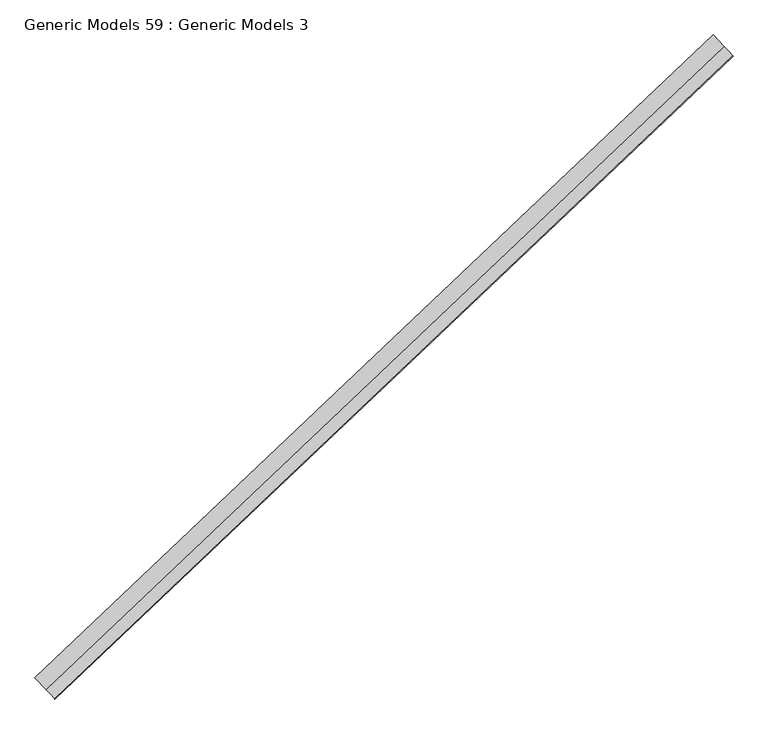
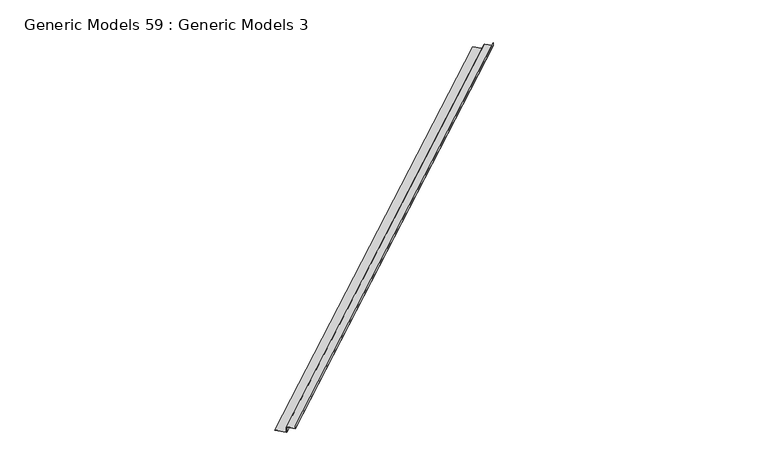
"""IFC4 building model written with IfcOpenShell, lengths in millimetres: proxy geometry, Generic Models 59 : Generic Models 3."""

from ifc_helpers import new_model, si_unit, origin, place, context, project, spatial, faceted_brep, source, transform, mapped, element, save


def generic_models_59_generic_models_3_b7b17800(model_context):
    return source(origin(), model_context, "Body", "Brep", [
        faceted_brep([(109895.2439475, 47364.6970795, 18098.5781124), (109895.2439475, 47364.6970795, 18018.91875), (109781.9317656, 47484.1032048, 18018.91875), (109781.9317656, 47484.1032048, 18020.50625), (109894.1511846, 47365.8486113, 18020.50625), (109894.1511846, 47365.8486113, 18100.1656124), (109899.0065242, 47360.7321509, 18100.1656124), (109932.0629993, 47325.8978945, 18100.1656124), (109978.6901522, 47276.7631275, 18100.1656124), (109978.6901522, 47276.7631275, 18146.4683107), (109979.7829151, 47275.6115957, 18146.4683107), (109979.7829151, 47275.6115957, 18098.5781124), (109932.7580686, 47325.1654442, 18098.5781124), (109898.3114549, 47361.4646012, 18098.5781124), (103193.3287901, 41004.817066, 18098.5781124), (103196.3962975, 41001.5845877, 18098.5781124), (103230.8429113, 40965.2854308, 18098.5781124), (103277.8677577, 40915.7315822, 18098.5781124), (103277.8677577, 40915.7315822, 18146.4683107), (103276.7749948, 40916.883114, 18146.4683107), (103276.7749948, 40916.883114, 18100.1656124), (103230.1478419, 40966.017881, 18100.1656124), (103197.0913669, 41000.8521374, 18100.1656124), (103192.2360273, 41005.9685978, 18100.1656124), (103192.2360273, 41005.9685978, 18020.50625), (103080.0166082, 41124.2231913, 18020.50625), (103080.0166082, 41124.2231913, 18018.91875), (103193.3287901, 41004.817066, 18018.91875)], [[[0, 1, 2, 3, 4, 5, 6, 7, 8, 9, 10, 11, 12, 13]], [[14, 15, 16, 17, 18, 19, 20, 21, 22, 23, 24, 25, 26, 27]], [[1, 0, 14, 27]], [[0, 13, 12, 11, 17, 16, 15, 14]], [[8, 7, 6, 5, 23, 22, 21, 20]], [[5, 4, 24, 23]], [[4, 3, 25, 24]], [[2, 1, 27, 26]], [[9, 8, 20, 19]], [[10, 9, 19, 18]], [[11, 10, 18, 17]], [[3, 2, 26, 25]]]),
    ])


if __name__ == "__main__":
    model = new_model("IFC4")
    model_context = context("Model", 3, world=origin())
    ifc_project = project(units=[si_unit("LENGTHUNIT", "METRE", prefix="MILLI")], contexts=[model_context])
    site = spatial("IfcSite", under=ifc_project)
    building = spatial("IfcBuilding", under=site)
    placement = place(None, origin())
    generic_models_59_generic_models_3_shape = generic_models_59_generic_models_3_b7b17800(model_context)
    element("IfcBuildingElementProxy", 1, Name="Generic Models 59 : Generic Models 3", ObjectType="Generic Models 59 : Generic Models 3", at=placement, inside=building, context=model_context, shape_type="MappedRepresentation", body=[
        mapped(generic_models_59_generic_models_3_shape, transform((0.0, 0.0, 0.0), x_axis=(1.0, 0.0, 0.0), y_axis=(0.0, 1.0, 0.0), z_axis=(0.0, 0.0, 1.0))),
    ])
    save(model, "model.ifc")
